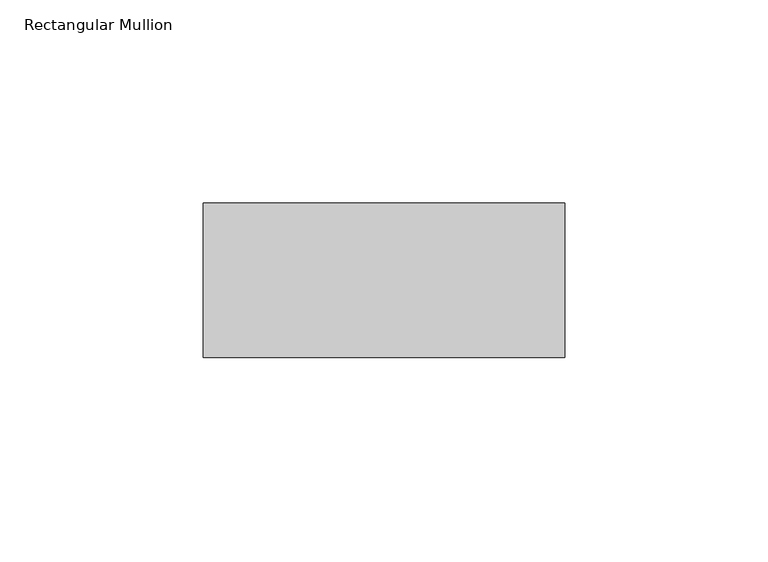
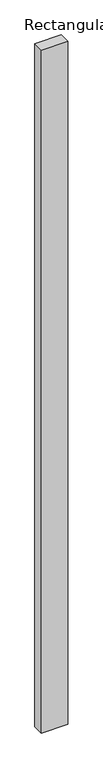
"""IFC4 building model written with IfcOpenShell, lengths in millimetres: member geometry, Rectangular Mullion."""

from ifc_helpers import new_model, si_unit, frame, origin, place, context, project, spatial, polyline, outline, extrude, source, transform, mapped, element, save


def rectangular_mullion_c3e4f9c2(model_context):
    return source(origin(), model_context, "Body", "SweptSolid", [
        extrude(outline(polyline([(44.5, 118.0), (44.5, 80.0), (-44.5, 80.0), (-44.5, 118.0), (44.5, 118.0)])), frame((0.0, 0.0, -2450.0), z_axis=(0.0, 0.0, 1.0), x_axis=(1.0, 0.0, 0.0)), (0.0, 0.0, 1.0), 2450.0),
    ])


if __name__ == "__main__":
    model = new_model("IFC4")
    model_context = context("Model", 3, world=origin())
    ifc_project = project(units=[si_unit("LENGTHUNIT", "METRE", prefix="MILLI")], contexts=[model_context])
    site = spatial("IfcSite", under=ifc_project)
    building = spatial("IfcBuilding", under=site)
    placement = place(None, origin())
    rectangular_mullion_shape = rectangular_mullion_c3e4f9c2(model_context)
    element("IfcMember", 1, ObjectType="Rectangular Mullion", at=placement, inside=building, context=model_context, shape_type="MappedRepresentation", body=[
        mapped(rectangular_mullion_shape, transform((0.0, 0.0, 0.0), x_axis=(1.0, 0.0, 0.0), y_axis=(0.0, 1.0, 0.0), z_axis=(0.0, 0.0, 1.0))),
    ])
    save(model, "model.ifc")
